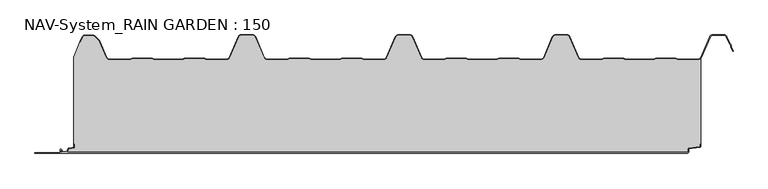
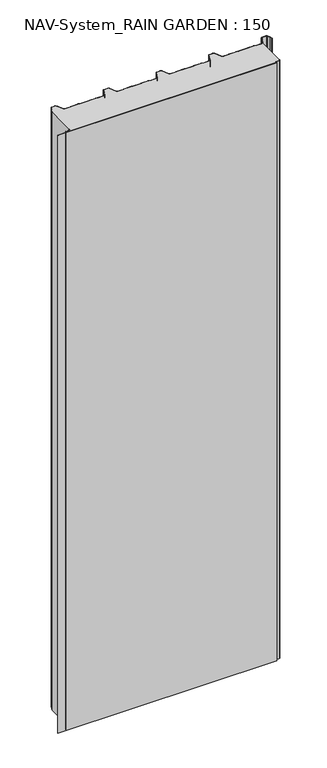
"""IFC4 building model written with IfcOpenShell, lengths in millimetres: plate geometry, NAV-System_RAIN GARDEN : 150."""

from ifc_helpers import new_model, si_unit, point, frame, frame_2d, origin, origin_with_axes, place, context, project, spatial, polyline, circle_curve, trimmed, segment, composite_curve, outline, extrude, source, transform, mapped, element, save


def nav_system_rain_garden_150_d6d387c2(model_context):
    return source(origin(), model_context, "Body", "SweptSolid", [
        extrude(outline(composite_curve([segment(polyline([(14.6767555, 519.0), (14.6767555, 518.2), (10.3721283, 518.2), (7.8818536, 500.4911207)]), True, "CONTINUOUS"), segment(trimmed(circle_curve(frame_2d((6.3964683, 500.7)), 1.5), [point((7.8818536, 500.4911207))], [point((6.3964683, 499.2))], False, "CARTESIAN"), True, "CONTINUOUS"), segment(polyline([(6.3964683, 499.2), (1.8, 499.2), (1.8, -498.7)]), True, "CONTINUOUS"), segment(trimmed(circle_curve(frame_2d((2.3, -498.7)), 0.5), [point((1.8, -498.7))], [point((2.3, -499.2))], True, "CARTESIAN"), True, "CONTINUOUS"), segment(polyline([(2.3, -499.2), (5.3700191, -499.2)]), True, "CONTINUOUS"), segment(trimmed(circle_curve(frame_2d((5.3700191, -498.7)), 0.5), [point((5.3700191, -499.2))], [point((5.6200191, -498.2669873))], True, "CARTESIAN"), True, "CONTINUOUS"), segment(polyline([(5.6200191, -498.2669873), (2.2, -496.2924383), (2.2, -488.9841833), (7.6866602, -485.8164586), (8.898332, -477.2), (14.6767555, -477.2), (14.6767555, -478.0), (9.5937048, -478.0), (8.5128213, -485.6863953)]), True, "CONTINUOUS"), segment(trimmed(circle_curve(frame_2d((7.2254873, -485.5053666)), 1.3), [point((8.5128213, -485.6863953))], [point((7.8754873, -486.6311996))], False, "CARTESIAN"), True, "CONTINUOUS"), segment(polyline([(7.8754873, -486.6311996), (3.0, -489.4460636), (3.0, -495.8305581), (6.0200191, -497.574167)]), True, "CONTINUOUS"), segment(trimmed(circle_curve(frame_2d((5.3700191, -498.7)), 1.3), [point((6.0200191, -497.574167))], [point((5.3700191, -500.0))], False, "CARTESIAN"), True, "CONTINUOUS"), segment(polyline([(5.3700191, -500.0), (2.3, -500.0)]), True, "CONTINUOUS"), segment(trimmed(circle_curve(frame_2d((2.3, -498.7)), 1.3), [point((2.3, -500.0))], [point((1.0, -498.7))], False, "CARTESIAN"), True, "CONTINUOUS"), segment(polyline([(1.0, -498.7), (1.0, -540.0), (0.0, -540.0), (0.0, 498.7), (1.0, 498.7)]), True, "CONTINUOUS"), segment(trimmed(circle_curve(frame_2d((2.3, 498.7)), 1.3), [point((1.0, 498.7))], [point((2.3, 500.0))], False, "CARTESIAN"), True, "CONTINUOUS"), segment(polyline([(2.3, 500.0), (6.3964683, 500.0)]), True, "CONTINUOUS"), segment(trimmed(circle_curve(frame_2d((6.3964683, 500.7)), 0.7), [point((6.3964683, 500.0))], [point((7.0896481, 500.602523))], True, "CARTESIAN"), True, "CONTINUOUS"), segment(polyline([(7.0896481, 500.602523), (9.5194024, 517.8810287)]), True, "CONTINUOUS"), segment(trimmed(circle_curve(frame_2d((10.8067363, 517.7)), 1.3), [point((9.5194024, 517.8810287))], [point((10.8067363, 519.0))], False, "CARTESIAN"), True, "CONTINUOUS"), segment(polyline([(10.8067363, 519.0), (14.6767555, 519.0)]), True, "CONTINUOUS")], self_intersect=False)), frame((0.0, 0.0, 3000.0), z_axis=(0.0, 0.0, -1.0), x_axis=(0.0, 1.0, 0.0)), (0.0, 0.0, 1.0), 3000.0),
        extrude(outline(composite_curve([segment(polyline([(519.0, 150.6220493), (519.0, 14.6767555), (518.2, 14.6767555), (518.2, 10.3721283), (500.4911207, 7.8818536)]), True, "CONTINUOUS"), segment(trimmed(circle_curve(frame_2d((500.7, 6.3964683)), 1.5), [point((500.4911207, 7.8818536))], [point((499.2, 6.3964683))], True, "CARTESIAN"), True, "CONTINUOUS"), segment(polyline([(499.2, 6.3964683), (499.2, 1.8), (-498.7, 1.8)]), True, "CONTINUOUS"), segment(trimmed(circle_curve(frame_2d((-498.7, 2.3)), 0.5), [point((-498.7, 1.8))], [point((-499.2, 2.3))], False, "CARTESIAN"), True, "CONTINUOUS"), segment(polyline([(-499.2, 2.3), (-499.2, 5.3700191)]), True, "CONTINUOUS"), segment(trimmed(circle_curve(frame_2d((-498.7, 5.3700191)), 0.5), [point((-499.2, 5.3700191))], [point((-498.2669873, 5.6200191))], False, "CARTESIAN"), True, "CONTINUOUS"), segment(polyline([(-498.2669873, 5.6200191), (-496.2924383, 2.2), (-488.9841833, 2.2), (-485.8164586, 7.6866602), (-477.2, 8.898332), (-477.2, 14.6767555), (-478.0, 14.6767555), (-478.0, 153.053822), (-468.3696578, 176.593514), (-467.6292254, 176.2905951), (-464.1022482, 184.9116756)]), True, "CONTINUOUS"), segment(trimmed(circle_curve(frame_2d((-461.1405186, 183.7)), 3.2), [point((-464.1022482, 184.9116756))], [point((-461.1405186, 186.9))], False, "CARTESIAN"), True, "CONTINUOUS"), segment(polyline([(-461.1405186, 186.9), (-447.7344665, 186.9)]), True, "CONTINUOUS"), segment(trimmed(circle_curve(frame_2d((-447.7344665, 182.7)), 4.2), [point((-447.7344665, 186.9))], [point((-444.764618, 185.6698485))], False, "CARTESIAN"), True, "CONTINUOUS"), segment(polyline([(-444.764618, 185.6698485), (-438.3136397, 179.2188701)]), True, "CONTINUOUS"), segment(trimmed(circle_curve(frame_2d((-441.2834882, 176.2490217)), 4.2), [point((-438.3136397, 179.2188701))], [point((-437.4245651, 177.9069459))], False, "CARTESIAN"), True, "CONTINUOUS"), segment(polyline([(-437.4245651, 177.9069459), (-426.3392729, 152.1052295)]), True, "CONTINUOUS"), segment(trimmed(circle_curve(frame_2d((-421.9290751, 154.0)), 4.8), [point((-426.3392729, 152.1052295))], [point((-421.9290751, 149.2))], True, "CARTESIAN"), True, "CONTINUOUS"), segment(polyline([(-421.9290751, 149.2), (-389.1564631, 149.2), (-385.1925378, 150.7), (-353.6825105, 150.7), (-349.6410865, 149.2), (-305.8231298, 149.2), (-301.9276212, 150.6741102), (-270.3491772, 150.7), (-266.3077532, 149.2), (-234.4101978, 149.2)]), True, "CONTINUOUS"), segment(trimmed(circle_curve(frame_2d((-234.4101978, 154.0)), 4.8), [point((-234.4101978, 149.2))], [point((-230.0, 152.1052295))], True, "CARTESIAN"), True, "CONTINUOUS"), segment(polyline([(-230.0, 152.1052295), (-215.7994417, 185.1579242)]), True, "CONTINUOUS"), segment(trimmed(circle_curve(frame_2d((-211.9405186, 183.5)), 4.2), [point((-215.7994417, 185.1579242))], [point((-211.9405186, 187.7))], False, "CARTESIAN"), True, "CONTINUOUS"), segment(polyline([(-211.9405186, 187.7), (-193.5280451, 187.7)]), True, "CONTINUOUS"), segment(trimmed(circle_curve(frame_2d((-193.5280451, 183.5)), 4.2), [point((-193.5280451, 187.7))], [point((-189.669122, 185.1579242))], False, "CARTESIAN"), True, "CONTINUOUS"), segment(polyline([(-189.669122, 185.1579242), (-175.4685637, 152.1052295)]), True, "CONTINUOUS"), segment(trimmed(circle_curve(frame_2d((-171.0583659, 154.0)), 4.8), [point((-175.4685637, 152.1052295))], [point((-171.0583659, 149.2))], True, "CARTESIAN"), True, "CONTINUOUS"), segment(polyline([(-171.0583659, 149.2), (-139.1564631, 149.2), (-135.1925378, 150.7), (-103.6825105, 150.7), (-99.6410865, 149.2), (-55.8231298, 149.2), (-51.9276212, 150.6741102), (-20.3491772, 150.7), (-16.3077532, 149.2), (15.5898022, 149.2)]), True, "CONTINUOUS"), segment(trimmed(circle_curve(frame_2d((15.5898022, 154.0)), 4.8), [point((15.5898022, 149.2))], [point((20.0, 152.1052295))], True, "CARTESIAN"), True, "CONTINUOUS"), segment(polyline([(20.0, 152.1052295), (34.2005583, 185.1579242)]), True, "CONTINUOUS"), segment(trimmed(circle_curve(frame_2d((38.0594814, 183.5)), 4.2), [point((34.2005583, 185.1579242))], [point((38.0594814, 187.7))], False, "CARTESIAN"), True, "CONTINUOUS"), segment(polyline([(38.0594814, 187.7), (56.4719549, 187.7)]), True, "CONTINUOUS"), segment(trimmed(circle_curve(frame_2d((56.4719549, 183.5)), 4.2), [point((56.4719549, 187.7))], [point((60.330878, 185.1579242))], False, "CARTESIAN"), True, "CONTINUOUS"), segment(polyline([(60.330878, 185.1579242), (74.5314363, 152.1052295)]), True, "CONTINUOUS"), segment(trimmed(circle_curve(frame_2d((78.9416341, 154.0)), 4.8), [point((74.5314363, 152.1052295))], [point((78.9416341, 149.2))], True, "CARTESIAN"), True, "CONTINUOUS"), segment(polyline([(78.9416341, 149.2), (110.8435369, 149.2), (114.8074622, 150.7), (146.3174895, 150.7), (150.3589135, 149.2), (194.1768702, 149.2), (198.0723788, 150.6741102), (229.6508228, 150.7), (233.6922468, 149.2), (265.5898022, 149.2)]), True, "CONTINUOUS"), segment(trimmed(circle_curve(frame_2d((265.5898022, 154.0)), 4.8), [point((265.5898022, 149.2))], [point((270.0, 152.1052295))], True, "CARTESIAN"), True, "CONTINUOUS"), segment(polyline([(270.0, 152.1052295), (284.2005583, 185.1579242)]), True, "CONTINUOUS"), segment(trimmed(circle_curve(frame_2d((288.0594814, 183.5)), 4.2), [point((284.2005583, 185.1579242))], [point((288.0594814, 187.7))], False, "CARTESIAN"), True, "CONTINUOUS"), segment(polyline([(288.0594814, 187.7), (306.4719549, 187.7)]), True, "CONTINUOUS"), segment(trimmed(circle_curve(frame_2d((306.4719549, 183.5)), 4.2), [point((306.4719549, 187.7))], [point((310.330878, 185.1579242))], False, "CARTESIAN"), True, "CONTINUOUS"), segment(polyline([(310.330878, 185.1579242), (324.5314363, 152.1052295)]), True, "CONTINUOUS"), segment(trimmed(circle_curve(frame_2d((328.9416341, 154.0)), 4.8), [point((324.5314363, 152.1052295))], [point((328.9416341, 149.2))], True, "CARTESIAN"), True, "CONTINUOUS"), segment(polyline([(328.9416341, 149.2), (360.8435369, 149.2), (364.7390455, 150.6741102), (396.3174895, 150.7), (400.3589135, 149.2), (444.1768702, 149.2), (448.0723788, 150.6741102), (479.6508228, 150.7), (483.6922468, 149.2), (515.5898022, 149.2)]), True, "CONTINUOUS"), segment(trimmed(circle_curve(frame_2d((515.5898022, 154.0)), 4.8), [point((515.5898022, 149.2))], [point((519.0, 150.6220493))], True, "CARTESIAN"), True, "CONTINUOUS")], self_intersect=False)), origin_with_axes(), (0.0, 0.0, 1.0), 3000.0),
        extrude(outline(composite_curve([segment(trimmed(circle_curve(frame_2d((-461.1408608, 183.7)), 4.0), [point((-464.8430228, 185.2145945))], [point((-461.1408608, 187.7))], False, "CARTESIAN"), True, "CONTINUOUS"), segment(polyline([(-461.1408608, 187.7), (-447.7348087, 187.7)]), True, "CONTINUOUS"), segment(trimmed(circle_curve(frame_2d((-447.7348087, 182.7)), 5.0), [point((-447.7348087, 187.7))], [point((-444.1992748, 186.2355339))], False, "CARTESIAN"), True, "CONTINUOUS"), segment(polyline([(-444.1992748, 186.2355339), (-437.7482965, 179.7845556)]), True, "CONTINUOUS"), segment(trimmed(circle_curve(frame_2d((-441.2838304, 176.2490217)), 5.0), [point((-437.7482965, 179.7845556))], [point((-436.6898744, 178.2227409))], False, "CARTESIAN"), True, "CONTINUOUS"), segment(polyline([(-436.6898744, 178.2227409), (-425.6045822, 152.4210246)]), True, "CONTINUOUS"), segment(trimmed(circle_curve(frame_2d((-421.9294173, 154.0)), 4.0), [point((-425.6045822, 152.4210246))], [point((-421.9294173, 150.0))], True, "CARTESIAN"), True, "CONTINUOUS"), segment(polyline([(-421.9294173, 150.0), (-389.3031082, 150.0), (-385.3391828, 151.5), (-353.4633986, 151.5), (-349.4994732, 150.0), (-305.9697749, 150.0), (-302.0058495, 151.5), (-270.1300653, 151.5), (-266.1661399, 150.0), (-234.41054, 150.0)]), True, "CONTINUOUS"), segment(trimmed(circle_curve(frame_2d((-234.41054, 154.0)), 4.0), [point((-234.41054, 150.0))], [point((-230.7353752, 152.4210246))], True, "CARTESIAN"), True, "CONTINUOUS"), segment(polyline([(-230.7353752, 152.4210246), (-216.5348169, 185.4737193)]), True, "CONTINUOUS"), segment(trimmed(circle_curve(frame_2d((-211.9408608, 183.5)), 5.0), [point((-216.5348169, 185.4737193))], [point((-211.9408608, 188.5))], False, "CARTESIAN"), True, "CONTINUOUS"), segment(polyline([(-211.9408608, 188.5), (-193.5283873, 188.5)]), True, "CONTINUOUS"), segment(trimmed(circle_curve(frame_2d((-193.5283873, 183.5)), 5.0), [point((-193.5283873, 188.5))], [point((-188.9344313, 185.4737193))], False, "CARTESIAN"), True, "CONTINUOUS"), segment(polyline([(-188.9344313, 185.4737193), (-174.7338729, 152.4210246)]), True, "CONTINUOUS"), segment(trimmed(circle_curve(frame_2d((-171.0587081, 154.0)), 4.0), [point((-174.7338729, 152.4210246))], [point((-171.0587081, 150.0))], True, "CARTESIAN"), True, "CONTINUOUS"), segment(polyline([(-171.0587081, 150.0), (-139.3031082, 150.0), (-135.3391828, 151.5), (-103.4633986, 151.5), (-99.4994732, 150.0), (-55.9697749, 150.0), (-52.0058495, 151.5), (-20.1300653, 151.5), (-16.1661399, 150.0), (15.58946, 150.0)]), True, "CONTINUOUS"), segment(trimmed(circle_curve(frame_2d((15.58946, 154.0)), 4.0), [point((15.58946, 150.0))], [point((19.2646248, 152.4210246))], True, "CARTESIAN"), True, "CONTINUOUS"), segment(polyline([(19.2646248, 152.4210246), (33.4651831, 185.4737193)]), True, "CONTINUOUS"), segment(trimmed(circle_curve(frame_2d((38.0591392, 183.5)), 5.0), [point((33.4651831, 185.4737193))], [point((38.0591392, 188.5))], False, "CARTESIAN"), True, "CONTINUOUS"), segment(polyline([(38.0591392, 188.5), (56.4716127, 188.5)]), True, "CONTINUOUS"), segment(trimmed(circle_curve(frame_2d((56.4716127, 183.5)), 5.0), [point((56.4716127, 188.5))], [point((61.0655687, 185.4737193))], False, "CARTESIAN"), True, "CONTINUOUS"), segment(polyline([(61.0655687, 185.4737193), (75.2661271, 152.4210246)]), True, "CONTINUOUS"), segment(trimmed(circle_curve(frame_2d((78.9412919, 154.0)), 4.0), [point((75.2661271, 152.4210246))], [point((78.9412919, 150.0))], True, "CARTESIAN"), True, "CONTINUOUS"), segment(polyline([(78.9412919, 150.0), (110.6968918, 150.0), (114.6608172, 151.5), (146.5366014, 151.5), (150.5005268, 150.0), (194.0302251, 150.0), (197.9941505, 151.5), (229.8699347, 151.5), (233.8338601, 150.0), (265.58946, 150.0)]), True, "CONTINUOUS"), segment(trimmed(circle_curve(frame_2d((265.58946, 154.0)), 4.0), [point((265.58946, 150.0))], [point((269.2646248, 152.4210246))], True, "CARTESIAN"), True, "CONTINUOUS"), segment(polyline([(269.2646248, 152.4210246), (283.4651831, 185.4737193)]), True, "CONTINUOUS"), segment(trimmed(circle_curve(frame_2d((288.0591392, 183.5)), 5.0), [point((283.4651831, 185.4737193))], [point((288.0591392, 188.5))], False, "CARTESIAN"), True, "CONTINUOUS"), segment(polyline([(288.0591392, 188.5), (306.4716127, 188.5)]), True, "CONTINUOUS"), segment(trimmed(circle_curve(frame_2d((306.4716127, 183.5)), 5.0), [point((306.4716127, 188.5))], [point((311.0655687, 185.4737193))], False, "CARTESIAN"), True, "CONTINUOUS"), segment(polyline([(311.0655687, 185.4737193), (325.2661271, 152.4210246)]), True, "CONTINUOUS"), segment(trimmed(circle_curve(frame_2d((328.9412919, 154.0)), 4.0), [point((325.2661271, 152.4210246))], [point((328.9412919, 150.0))], True, "CARTESIAN"), True, "CONTINUOUS"), segment(polyline([(328.9412919, 150.0), (360.6968918, 150.0), (364.6608172, 151.5), (396.5366014, 151.5), (400.5005268, 150.0), (444.0302251, 150.0), (447.9941505, 151.5), (479.8699347, 151.5), (483.8338601, 150.0), (515.58946, 150.0)]), True, "CONTINUOUS"), segment(trimmed(circle_curve(frame_2d((515.58946, 154.0)), 4.0), [point((515.58946, 150.0))], [point((519.2646248, 152.4210246))], True, "CARTESIAN"), True, "CONTINUOUS"), segment(polyline([(519.2646248, 152.4210246), (533.4651831, 185.4737193)]), True, "CONTINUOUS"), segment(trimmed(circle_curve(frame_2d((538.0591392, 183.5)), 5.0), [point((533.4651831, 185.4737193))], [point((538.0591392, 188.5))], False, "CARTESIAN"), True, "CONTINUOUS"), segment(polyline([(538.0591392, 188.5), (556.4716127, 188.5)]), True, "CONTINUOUS"), segment(trimmed(circle_curve(frame_2d((556.4716127, 183.5)), 5.0), [point((556.4716127, 188.5))], [point((561.0655687, 185.4737193))], False, "CARTESIAN"), True, "CONTINUOUS"), segment(polyline([(561.0655687, 185.4737193), (565.9006789, 174.2196957), (567.9230626, 172.4138642), (567.8408612, 169.703799), (570.8182039, 162.7738461), (570.0831709, 162.458051), (567.0358547, 169.5508717), (567.1121268, 172.0654564), (565.2356202, 173.741031), (560.3305358, 185.1579242)]), True, "CONTINUOUS"), segment(trimmed(circle_curve(frame_2d((556.4716127, 183.5)), 4.2), [point((560.3305358, 185.1579242))], [point((556.4716127, 187.7))], True, "CARTESIAN"), True, "CONTINUOUS"), segment(polyline([(556.4716127, 187.7), (538.0591392, 187.7)]), True, "CONTINUOUS"), segment(trimmed(circle_curve(frame_2d((538.0591392, 183.5)), 4.2), [point((538.0591392, 187.7))], [point((534.2002161, 185.1579242))], True, "CARTESIAN"), True, "CONTINUOUS"), segment(polyline([(534.2002161, 185.1579242), (519.9996578, 152.1052295)]), True, "CONTINUOUS"), segment(trimmed(circle_curve(frame_2d((515.58946, 154.0)), 4.8), [point((519.9996578, 152.1052295))], [point((515.58946, 149.2))], False, "CARTESIAN"), True, "CONTINUOUS"), segment(polyline([(515.58946, 149.2), (483.6919046, 149.2), (479.6504806, 150.7), (448.0720366, 150.6741102), (444.1765279, 149.2), (400.3585713, 149.2), (396.3171473, 150.7), (364.7387033, 150.6741102), (360.8431946, 149.2), (328.9412919, 149.2)]), True, "CONTINUOUS"), segment(trimmed(circle_curve(frame_2d((328.9412919, 154.0)), 4.8), [point((328.9412919, 149.2))], [point((324.5310941, 152.1052295))], False, "CARTESIAN"), True, "CONTINUOUS"), segment(polyline([(324.5310941, 152.1052295), (310.3305358, 185.1579242)]), True, "CONTINUOUS"), segment(trimmed(circle_curve(frame_2d((306.4716127, 183.5)), 4.2), [point((310.3305358, 185.1579242))], [point((306.4716127, 187.7))], True, "CARTESIAN"), True, "CONTINUOUS"), segment(polyline([(306.4716127, 187.7), (288.0591392, 187.7)]), True, "CONTINUOUS"), segment(trimmed(circle_curve(frame_2d((288.0591392, 183.5)), 4.2), [point((288.0591392, 187.7))], [point((284.2002161, 185.1579242))], True, "CARTESIAN"), True, "CONTINUOUS"), segment(polyline([(284.2002161, 185.1579242), (269.9996578, 152.1052295)]), True, "CONTINUOUS"), segment(trimmed(circle_curve(frame_2d((265.58946, 154.0)), 4.8), [point((269.9996578, 152.1052295))], [point((265.58946, 149.2))], False, "CARTESIAN"), True, "CONTINUOUS"), segment(polyline([(265.58946, 149.2), (233.6919046, 149.2), (229.6504806, 150.7), (198.0720366, 150.6741102), (194.1765279, 149.2), (150.3585713, 149.2), (146.3171473, 150.7), (114.7387033, 150.6741102), (110.8431946, 149.2), (78.9412919, 149.2)]), True, "CONTINUOUS"), segment(trimmed(circle_curve(frame_2d((78.9412919, 154.0)), 4.8), [point((78.9412919, 149.2))], [point((74.5310941, 152.1052295))], False, "CARTESIAN"), True, "CONTINUOUS"), segment(polyline([(74.5310941, 152.1052295), (60.3305358, 185.1579242)]), True, "CONTINUOUS"), segment(trimmed(circle_curve(frame_2d((56.4716127, 183.5)), 4.2), [point((60.3305358, 185.1579242))], [point((56.4716127, 187.7))], True, "CARTESIAN"), True, "CONTINUOUS"), segment(polyline([(56.4716127, 187.7), (38.0591392, 187.7)]), True, "CONTINUOUS"), segment(trimmed(circle_curve(frame_2d((38.0591392, 183.5)), 4.2), [point((38.0591392, 187.7))], [point((34.2002161, 185.1579242))], True, "CARTESIAN"), True, "CONTINUOUS"), segment(polyline([(34.2002161, 185.1579242), (19.9996578, 152.1052295)]), True, "CONTINUOUS"), segment(trimmed(circle_curve(frame_2d((15.58946, 154.0)), 4.8), [point((19.9996578, 152.1052295))], [point((15.58946, 149.2))], False, "CARTESIAN"), True, "CONTINUOUS"), segment(polyline([(15.58946, 149.2), (-16.3080954, 149.2), (-20.3495194, 150.7), (-51.9279634, 150.6741102), (-55.8234721, 149.2), (-99.6414287, 149.2), (-103.6828527, 150.7), (-135.2612967, 150.6741102), (-139.1568054, 149.2), (-171.0587081, 149.2)]), True, "CONTINUOUS"), segment(trimmed(circle_curve(frame_2d((-171.0587081, 154.0)), 4.8), [point((-171.0587081, 149.2))], [point((-175.4689059, 152.1052295))], False, "CARTESIAN"), True, "CONTINUOUS"), segment(polyline([(-175.4689059, 152.1052295), (-189.6694642, 185.1579242)]), True, "CONTINUOUS"), segment(trimmed(circle_curve(frame_2d((-193.5283873, 183.5)), 4.2), [point((-189.6694642, 185.1579242))], [point((-193.5283873, 187.7))], True, "CARTESIAN"), True, "CONTINUOUS"), segment(polyline([(-193.5283873, 187.7), (-211.9408608, 187.7)]), True, "CONTINUOUS"), segment(trimmed(circle_curve(frame_2d((-211.9408608, 183.5)), 4.2), [point((-211.9408608, 187.7))], [point((-215.7997839, 185.1579242))], True, "CARTESIAN"), True, "CONTINUOUS"), segment(polyline([(-215.7997839, 185.1579242), (-230.0003422, 152.1052295)]), True, "CONTINUOUS"), segment(trimmed(circle_curve(frame_2d((-234.41054, 154.0)), 4.8), [point((-230.0003422, 152.1052295))], [point((-234.41054, 149.2))], False, "CARTESIAN"), True, "CONTINUOUS"), segment(polyline([(-234.41054, 149.2), (-266.3080954, 149.2), (-270.3495194, 150.7), (-301.9279634, 150.6741102), (-305.8234721, 149.2), (-349.6414287, 149.2), (-353.6828527, 150.7), (-385.19288, 150.7), (-389.1568054, 149.2), (-421.9294173, 149.2)]), True, "CONTINUOUS"), segment(trimmed(circle_curve(frame_2d((-421.9294173, 154.0)), 4.8), [point((-421.9294173, 149.2))], [point((-426.3396151, 152.1052295))], False, "CARTESIAN"), True, "CONTINUOUS"), segment(polyline([(-426.3396151, 152.1052295), (-437.4249073, 177.9069459)]), True, "CONTINUOUS"), segment(trimmed(circle_curve(frame_2d((-441.2838304, 176.2490217)), 4.2), [point((-437.4249073, 177.9069459))], [point((-438.3139819, 179.2188701))], True, "CARTESIAN"), True, "CONTINUOUS"), segment(polyline([(-438.3139819, 179.2188701), (-444.7649603, 185.6698485)]), True, "CONTINUOUS"), segment(trimmed(circle_curve(frame_2d((-447.7348087, 182.7)), 4.2), [point((-444.7649603, 185.6698485))], [point((-447.7348087, 186.9))], True, "CARTESIAN"), True, "CONTINUOUS"), segment(polyline([(-447.7348087, 186.9), (-461.1408608, 186.9)]), True, "CONTINUOUS"), segment(trimmed(circle_curve(frame_2d((-461.1408608, 183.7)), 3.2), [point((-461.1408608, 186.9))], [point((-464.1025904, 184.9116756))], True, "CARTESIAN"), True, "CONTINUOUS"), segment(polyline([(-464.1025904, 184.9116756), (-467.6295676, 176.2905951), (-468.37, 176.593514), (-464.8430228, 185.2145945)]), True, "CONTINUOUS")], self_intersect=False)), origin_with_axes(), (0.0, 0.0, 1.0), 3000.0),
    ])


if __name__ == "__main__":
    model = new_model("IFC4")
    model_context = context("Model", 3, world=origin())
    ifc_project = project(units=[si_unit("LENGTHUNIT", "METRE", prefix="MILLI")], contexts=[model_context])
    site = spatial("IfcSite", under=ifc_project)
    building = spatial("IfcBuilding", under=site)
    placement = place(None, origin())
    nav_system_rain_garden_150_shape = nav_system_rain_garden_150_d6d387c2(model_context)
    element("IfcPlate", 1, ObjectType="NAV-System_RAIN GARDEN : 150", at=placement, inside=building, context=model_context, shape_type="MappedRepresentation", body=[
        mapped(nav_system_rain_garden_150_shape, transform((0.0, 0.0, 0.0), x_axis=(1.0, 0.0, 0.0), y_axis=(0.0, 1.0, 0.0), z_axis=(0.0, 0.0, 1.0))),
    ])
    save(model, "model.ifc")
